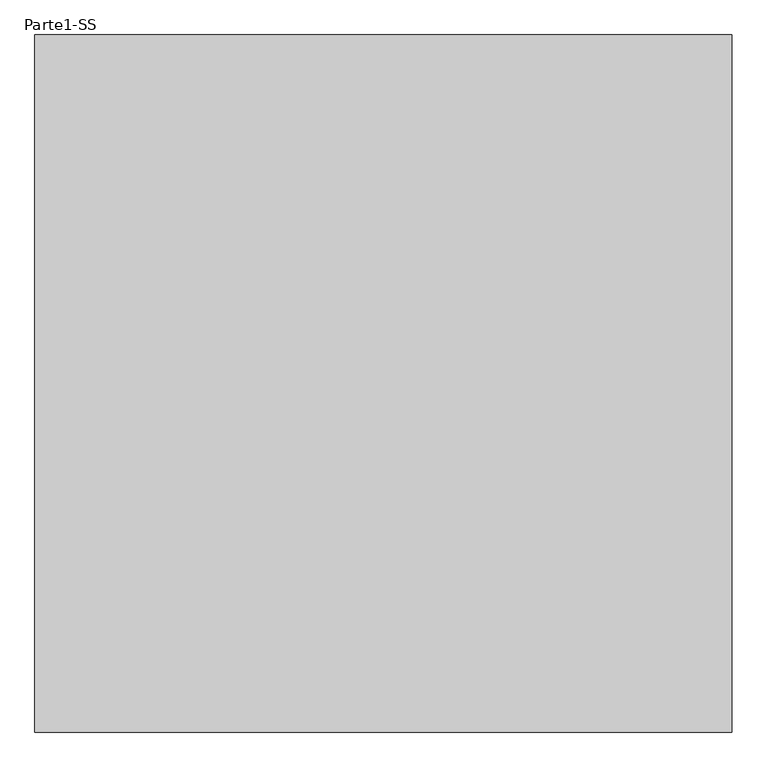
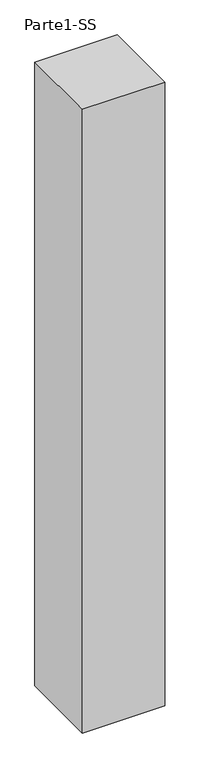
"""IFC4 building model written with IfcOpenShell, lengths in millimetres: proxy geometry, Parte1-SS."""

from ifc_helpers import new_model, si_unit, origin, origin_with_axes, place, context, project, spatial, polyline, outline, extrude, source, transform, mapped, element, save


def parte1_ss_6d1e8db5(model_context):
    return source(origin(), model_context, "Body", "SweptSolid", [
        extrude(outline(polyline([(10000.0, 10000.0), (10000.0, 0.0), (0.0, 0.0), (0.0, 10000.0), (10000.0, 10000.0)])), origin_with_axes(), (0.0, 0.0, 1.0), 80000.0),
    ])


if __name__ == "__main__":
    model = new_model("IFC4")
    model_context = context("Model", 3, world=origin())
    ifc_project = project(units=[si_unit("LENGTHUNIT", "METRE", prefix="MILLI")], contexts=[model_context])
    site = spatial("IfcSite", under=ifc_project)
    building = spatial("IfcBuilding", under=site)
    placement = place(None, origin())
    parte1_ss_shape = parte1_ss_6d1e8db5(model_context)
    element("IfcBuildingElementProxy", 1, Name="Parte1-SS", ObjectType="Parte1-SS", at=placement, inside=building, context=model_context, shape_type="MappedRepresentation", body=[
        mapped(parte1_ss_shape, transform((0.0, 0.0, 0.0), x_axis=(1.0, 0.0, 0.0), y_axis=(0.0, 1.0, 0.0), z_axis=(0.0, 0.0, 1.0))),
    ])
    save(model, "model.ifc")
